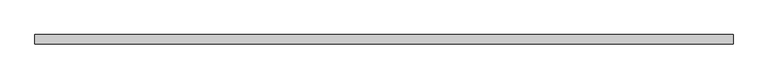
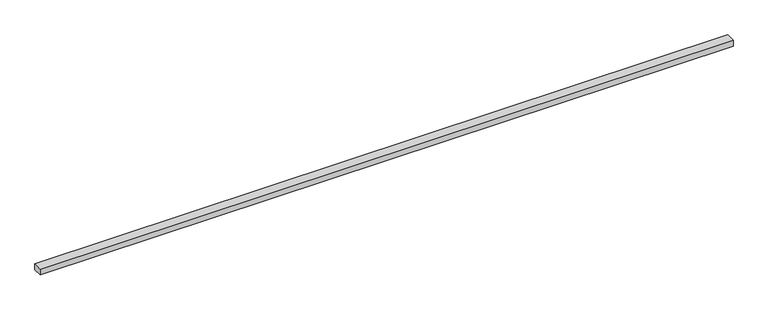
"""IFC4 building model written with IfcOpenShell, lengths in millimetres: beam geometry."""

import ifcopenshell
import ifcopenshell.guid

model = None  # the IFC model being written
_history = None  # IfcOwnerHistory: only IFC2X3 demands one
_inside = {}  # id of a spatial element -> (the spatial element, [elements in it])
_under = {}  # id of a project, library or spatial element -> (it, [spatial elements below it])
_declared = {}  # id of a project -> (the project, [libraries it declares])
_typed = {}  # id of a type object -> (the type object, [elements of that type])
_made_of = {}  # id of a material, layer set ... -> (it, [elements and type objects made of it])


def new_model(schema):
    """Start an empty IFC model of exactly this schema.

    Asked for "IFC4X3", IfcOpenShell would pick the latest addendum, in which some entities
    have other attributes; the version numbers below select the first issue.
    IFC2X3 requires an IfcOwnerHistory on every rooted entity: one is made here for all.
    """
    global model, _history
    if schema == "IFC4X3":
        model = ifcopenshell.file(schema_version=(4, 3, 0, 0))
    else:
        model = ifcopenshell.file(schema=schema)
    _inside.clear()
    _under.clear()
    _declared.clear()
    _typed.clear()
    _made_of.clear()
    _history = None
    if model.schema == "IFC2X3":
        org = make("IfcOrganization", Name="unknown")
        user = make(
            "IfcPersonAndOrganization",
            ThePerson=make("IfcPerson", FamilyName="unknown"),
            TheOrganization=org,
        )
        app = make(
            "IfcApplication",
            ApplicationDeveloper=org,
            Version="unknown",
            ApplicationFullName="unknown",
            ApplicationIdentifier="unknown",
        )
        _history = make(
            "IfcOwnerHistory",
            OwningUser=user,
            OwningApplication=app,
            ChangeAction="ADDED",
            CreationDate=0,
        )
    return model


def make(cls, **values):
    """One entity of the class cls with the attributes given. An attribute that is None is left unset."""
    return model.create_entity(
        cls, **{name: value for name, value in values.items() if value is not None}
    )


def rooted(cls, **values):
    """An entity with a GlobalId (a new one), such as an element, a storey or a relation."""
    return make(cls, GlobalId=ifcopenshell.guid.new(), OwnerHistory=_history, **values)


def si_unit(unit_type, name, prefix=None):
    """IfcSIUnit, for example si_unit("LENGTHUNIT", "METRE", prefix="MILLI")."""
    return make("IfcSIUnit", UnitType=unit_type, Prefix=prefix, Name=name)


def assignment(units):
    """IfcUnitAssignment: the units of a project."""
    return None if units is None else make("IfcUnitAssignment", Units=units)


def point(xyz):
    """IfcCartesianPoint."""
    return None if xyz is None else make("IfcCartesianPoint", Coordinates=xyz)


def direction(xyz):
    """IfcDirection."""
    return None if xyz is None else make("IfcDirection", DirectionRatios=xyz)


def frame(location, z_axis=None, x_axis=None):
    """IfcAxis2Placement3D, a coordinate frame: its origin and axes. An axis left out is left unset."""
    return make(
        "IfcAxis2Placement3D",
        Location=point(location),
        Axis=direction(z_axis),
        RefDirection=direction(x_axis),
    )


def origin():
    """The frame at (0, 0, 0) with its axes left unset."""
    return frame((0.0, 0.0, 0.0))


def place(relative_to, where):
    """IfcLocalPlacement: puts the frame where relative to a parent placement (None: the world)."""
    return make(
        "IfcLocalPlacement", PlacementRelTo=relative_to, RelativePlacement=where
    )


def context(
    kind, dimensions, precision=None, world=None, true_north=None, identifier=None
):
    """IfcGeometricRepresentationContext, for example the 3D "Model" context."""
    return make(
        "IfcGeometricRepresentationContext",
        ContextIdentifier=identifier,
        ContextType=kind,
        CoordinateSpaceDimension=dimensions,
        Precision=precision,
        WorldCoordinateSystem=world,
        TrueNorth=true_north,
    )


def project(units=None, contexts=None):
    """IfcProject with its units and contexts."""
    return rooted(
        "IfcProject",
        Name="project",
        RepresentationContexts=contexts,
        UnitsInContext=assignment(units),
    )


def spatial(cls, under=None, at=None, **own):
    """A site, building, storey or space (cls), placed at a placement, below another one or the project."""
    s = rooted(cls, ObjectPlacement=at, **own)
    if under is not None:
        _under.setdefault(under.id(), (under, []))[1].append(s)
    return s


def polyline(points):
    """IfcPolyline through the points."""
    return make("IfcPolyline", Points=[point(p) for p in points])


def outline(outer, holes=None, kind="AREA"):
    """IfcArbitraryClosedProfileDef: a profile drawn as a closed curve; with holes, ...WithVoids."""
    if holes is None:
        return make("IfcArbitraryClosedProfileDef", ProfileType=kind, OuterCurve=outer)
    return make(
        "IfcArbitraryProfileDefWithVoids",
        ProfileType=kind,
        OuterCurve=outer,
        InnerCurves=holes,
    )


def extrude(swept, where, along, depth):
    """IfcExtrudedAreaSolid: the profile swept, set in the frame where, extruded along a direction by depth."""
    return make(
        "IfcExtrudedAreaSolid",
        SweptArea=swept,
        Position=where,
        ExtrudedDirection=direction(along),
        Depth=depth,
    )


def shape(context_of_items, identifier, shape_type, items):
    """IfcShapeRepresentation: the items that make up one representation, for example the "Body"."""
    return make(
        "IfcShapeRepresentation",
        ContextOfItems=context_of_items,
        RepresentationIdentifier=identifier,
        RepresentationType=shape_type,
        Items=items,
    )


def source(mapping_origin, context_of_items, identifier, shape_type, items):
    """IfcRepresentationMap: a shape defined once, which mapped items show again and again."""
    return make(
        "IfcRepresentationMap",
        MappingOrigin=mapping_origin,
        MappedRepresentation=shape(context_of_items, identifier, shape_type, items),
    )


def transform(
    local_origin,
    x_axis=None,
    y_axis=None,
    z_axis=None,
    scale=None,
    scale2=None,
    scale3=None,
    uniform=True,
):
    """IfcCartesianTransformationOperator3D, or its non-uniform kind. x_axis, y_axis, z_axis: its Axis1, 2, 3."""
    if uniform:
        return make(
            "IfcCartesianTransformationOperator3D",
            Axis1=direction(x_axis),
            Axis2=direction(y_axis),
            LocalOrigin=point(local_origin),
            Scale=scale,
            Axis3=direction(z_axis),
        )
    return make(
        "IfcCartesianTransformationOperator3DnonUniform",
        Axis1=direction(x_axis),
        Axis2=direction(y_axis),
        LocalOrigin=point(local_origin),
        Scale=scale,
        Axis3=direction(z_axis),
        Scale2=scale2,
        Scale3=scale3,
    )


def mapped(mapping_source, mapping_target):
    """IfcMappedItem: shows the shape of a source again, moved by a transform."""
    return make(
        "IfcMappedItem", MappingSource=mapping_source, MappingTarget=mapping_target
    )


def made_of(thing, what):
    """Note that an element or type object is made of a material, layer set ...; save() writes the relation."""
    if what is not None:
        _made_of.setdefault(what.id(), (what, []))[1].append(thing)
    return thing


def element(
    cls,
    number,
    at=None,
    inside=None,
    cuts=None,
    type_object=None,
    material=None,
    context=None,
    identifier="Body",
    shape_type=None,
    held_by="IfcProductDefinitionShape",
    body=None,
    shapes=None,
    **own,
):
    """One element of the class cls, such as IfcWall. Its Tag is "e" and its number.

    at: its placement. inside: the storey or other place that contains it. cuts: it is an
    opening in that element (IfcRelVoidsElement). A single representation is given by context,
    identifier, shape_type and body (its items); several are given by shapes. held_by: the class
    of the entity that holds the representations. save() writes the other relations.
    """
    e = rooted(cls, Tag="e%d" % number, ObjectPlacement=at, **own)
    if body is not None:
        shapes = [shape(context, identifier, shape_type, body)]
    if shapes is not None:
        e.Representation = make(held_by, Representations=shapes)
    if inside is not None:
        _inside.setdefault(inside.id(), (inside, []))[1].append(e)
    if cuts is not None:
        rooted(
            "IfcRelVoidsElement", RelatingBuildingElement=cuts, RelatedOpeningElement=e
        )
    if type_object is not None:
        _typed.setdefault(type_object.id(), (type_object, []))[1].append(e)
    return made_of(e, material)


def aggregate(whole, parts):
    """IfcRelAggregates: a whole, such as a stair, and the parts it consists of."""
    return rooted("IfcRelAggregates", RelatingObject=whole, RelatedObjects=parts)


def save(model, path):
    """Write the relations noted so far, then the file.

    IfcRelAggregates (storeys below a building ...), IfcRelContainedInSpatialStructure (elements
    in a storey), IfcRelDefinesByType, IfcRelAssociatesMaterial and IfcRelDeclares: one each for
    every whole, place, type object, material and project.
    """
    for whole, parts in _under.values():
        aggregate(whole, parts)
    for where, things in _inside.values():
        rooted(
            "IfcRelContainedInSpatialStructure",
            RelatedElements=things,
            RelatingStructure=where,
        )
    for kind, things in _typed.values():
        rooted("IfcRelDefinesByType", RelatedObjects=things, RelatingType=kind)
    for what, things in _made_of.values():
        rooted("IfcRelAssociatesMaterial", RelatedObjects=things, RelatingMaterial=what)
    for by, libraries in _declared.values():
        rooted("IfcRelDeclares", RelatingContext=by, RelatedDefinitions=libraries)
    model.write(path)


def beam_23801099(model_context):
    return source(origin(), model_context, "Body", "SweptSolid", [
        extrude(outline(polyline([(1125.0, 15.0), (1125.0, -15.0), (-1125.0, -15.0), (-1125.0, 15.0), (1125.0, 15.0)])), frame((0.0, 0.0, -10.0), z_axis=(0.0, 0.0, 1.0), x_axis=(1.0, 0.0, 0.0)), (0.0, 0.0, 1.0), 20.0),
    ])


if __name__ == "__main__":
    model = new_model("IFC4")
    model_context = context("Model", 3, world=origin())
    ifc_project = project(units=[si_unit("LENGTHUNIT", "METRE", prefix="MILLI")], contexts=[model_context])
    site = spatial("IfcSite", under=ifc_project)
    building = spatial("IfcBuilding", under=site)
    placement = place(None, origin())
    beam_shape = beam_23801099(model_context)
    element("IfcBeam", 1, at=placement, inside=building, context=model_context, shape_type="MappedRepresentation", body=[
        mapped(beam_shape, transform((0.0, 0.0, 0.0), x_axis=(1.0, 0.0, 0.0), y_axis=(0.0, 1.0, 0.0), z_axis=(0.0, 0.0, 1.0))),
    ])
    save(model, "model.ifc")
